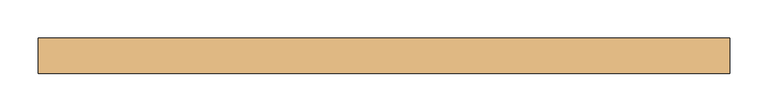
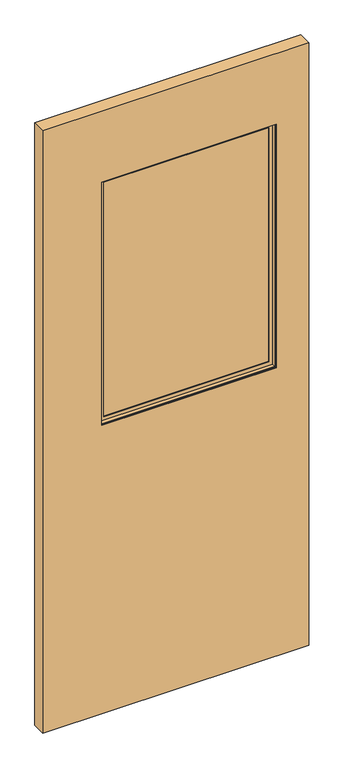
"""IFC4 building model written with IfcOpenShell, lengths in millimetres: door geometry."""

from ifc_helpers import new_model, si_unit, frame, origin, place, context, project, spatial, polyline, outline, extrude, faceted_brep, source, transform, mapped, element, save


def door_4bad1d53(model_context):
    return source(origin(), model_context, "Body", "SolidModel", [
        extrude(outline(polyline([(340.7611882, -3.175), (-251.0588118, -3.175), (-251.0588118, 3.175), (340.7611882, 3.175), (340.7611882, -3.175)])), frame((0.0, 0.0, 1044.9435027), z_axis=(0.0, 0.0, 1.0), x_axis=(1.0, 0.0, 0.0)), (0.0, 0.0, 1.0), 871.22),
        faceted_brep([(-235.1682328, 3.797467, 1900.2729238), (-235.1682328, 3.797467, 1060.8340817), (-235.1682328, 6.9755828, 1060.8340817), (-235.1682328, 6.9755828, 1900.2729238), (324.8706092, 3.797467, 1060.8340817), (324.8706092, 6.9755828, 1060.8340817), (337.5830724, 6.9755828, 1048.1216185), (-247.880696, 6.9755828, 1048.1216185), (-247.880696, 6.9755828, 1912.9853869), (337.5830724, 6.9755828, 1912.9853869), (324.8706092, 6.9755828, 1900.2729238), (324.8706092, 3.797467, 1900.2729238), (-251.0588118, 3.797467, 1044.9435027), (340.7611882, 3.797467, 1044.9435027), (340.7611882, 3.797467, 1916.1635027), (-251.0588118, 3.797467, 1916.1635027), (-251.0588118, 19.688046, 1916.1635027), (-251.0588118, 19.688046, 1044.9435027), (340.7611882, 19.688046, 1044.9435027), (340.7611882, 19.688046, 1916.1635027), (-247.880696, 19.688046, 1048.1216185), (337.5830724, 19.688046, 1048.1216185), (337.5830724, 19.688046, 1912.9853869), (-247.880696, 19.688046, 1912.9853869)], [[[0, 1, 2, 3]], [[1, 4, 5, 2]], [[6, 7, 8, 9], [2, 5, 10, 3]], [[4, 11, 10, 5]], [[12, 13, 14, 15], [4, 1, 0, 11]], [[16, 17, 12, 15]], [[17, 18, 13, 12]], [[18, 19, 14, 13]], [[18, 17, 16, 19], [20, 21, 22, 23]], [[8, 7, 20, 23]], [[7, 6, 21, 20]], [[6, 9, 22, 21]], [[11, 0, 3, 10]], [[19, 16, 15, 14]], [[9, 8, 23, 22]]]),
        faceted_brep([(-247.880696, -19.688046, 1912.9853869), (-247.880696, -19.688046, 1048.1216185), (-247.880696, -6.9755828, 1048.1216185), (-247.880696, -6.9755828, 1912.9853869), (337.5830724, -19.688046, 1048.1216185), (337.5830724, -6.9755828, 1048.1216185), (337.5830724, -6.9755828, 1912.9853869), (324.8706092, -6.9755828, 1060.8340817), (-235.1682328, -6.9755828, 1060.8340817), (-235.1682328, -6.9755828, 1900.2729238), (324.8706092, -6.9755828, 1900.2729238), (337.5830724, -19.688046, 1912.9853869), (-251.0588118, -19.688046, 1044.9435027), (340.7611882, -19.688046, 1044.9435027), (340.7611882, -19.688046, 1916.1635027), (-251.0588118, -19.688046, 1916.1635027), (-251.0588118, -3.797467, 1916.1635027), (-251.0588118, -3.797467, 1044.9435027), (340.7611882, -3.797467, 1044.9435027), (340.7611882, -3.797467, 1916.1635027), (-235.1682328, -3.797467, 1060.8340817), (324.8706092, -3.797467, 1060.8340817), (324.8706092, -3.797467, 1900.2729238), (-235.1682328, -3.797467, 1900.2729238)], [[[0, 1, 2, 3]], [[1, 4, 5, 2]], [[2, 5, 6, 3], [7, 8, 9, 10]], [[4, 11, 6, 5]], [[12, 13, 14, 15], [4, 1, 0, 11]], [[16, 17, 12, 15]], [[17, 18, 13, 12]], [[18, 19, 14, 13]], [[18, 17, 16, 19], [20, 21, 22, 23]], [[9, 8, 20, 23]], [[8, 7, 21, 20]], [[7, 10, 22, 21]], [[11, 0, 3, 6]], [[19, 16, 15, 14]], [[10, 9, 23, 22]]]),
        extrude(outline(polyline([(2170.1635027, -450.4488118), (12.7, -450.4488118), (12.7, 450.4488118), (2170.1635027, 450.4488118), (2170.1635027, -450.4488118)]), holes=[polyline([(1916.1635027, 340.7611882), (1044.9435027, 340.7611882), (1044.9435027, -251.0588118), (1916.1635027, -251.0588118), (1916.1635027, 340.7611882)])]), frame((0.0, -23.114, 0.0), z_axis=(0.0, 1.0, 0.0), x_axis=(0.0, 0.0, 1.0)), (0.0, 0.0, 1.0), 46.228),
        extrude(outline(polyline([(425.0488118, 9.8925062), (-425.0488118, 9.8925062), (-425.0488118, 11.4927062), (425.0488118, 11.4927062), (425.0488118, 9.8925062)])), frame((0.0, 0.0, 12.7), z_axis=(0.0, 0.0, 1.0), x_axis=(1.0, 0.0, 0.0)), (0.0, 0.0, 1.0), 254.0),
        extrude(outline(polyline([(425.0488118, 21.5634094), (-425.0488118, 21.5634094), (-425.0488118, 23.114), (425.0488118, 23.114), (425.0488118, 21.5634094)])), frame((0.0, 0.0, 12.7), z_axis=(0.0, 0.0, 1.0), x_axis=(1.0, 0.0, 0.0)), (0.0, 0.0, 1.0), 254.0),
    ])


if __name__ == "__main__":
    model = new_model("IFC4")
    model_context = context("Model", 3, world=origin())
    ifc_project = project(units=[si_unit("LENGTHUNIT", "METRE", prefix="MILLI")], contexts=[model_context])
    site = spatial("IfcSite", under=ifc_project)
    building = spatial("IfcBuilding", under=site)
    placement = place(None, origin())
    door_shape = door_4bad1d53(model_context)
    element("IfcDoor", 1, at=placement, inside=building, context=model_context, shape_type="MappedRepresentation", body=[
        mapped(door_shape, transform((0.0, 0.0, 0.0), x_axis=(1.0, 0.0, 0.0), y_axis=(0.0, 1.0, 0.0), z_axis=(0.0, 0.0, 1.0))),
    ])
    save(model, "model.ifc")
